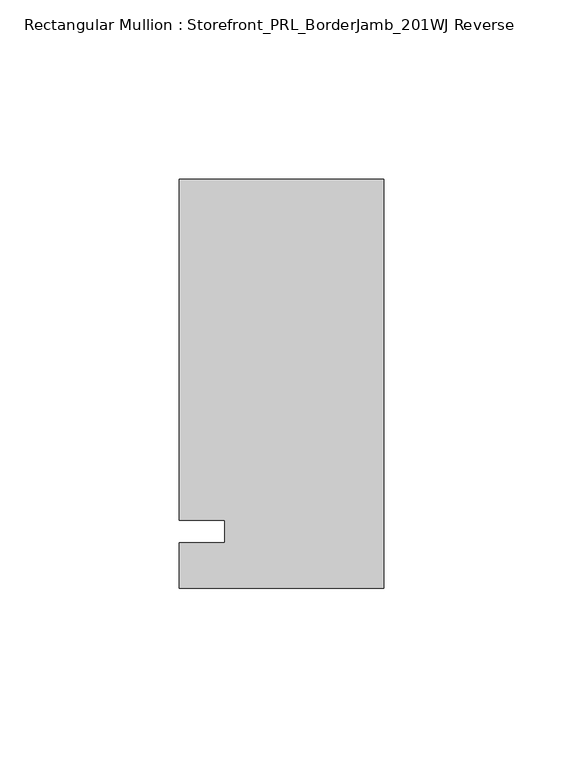
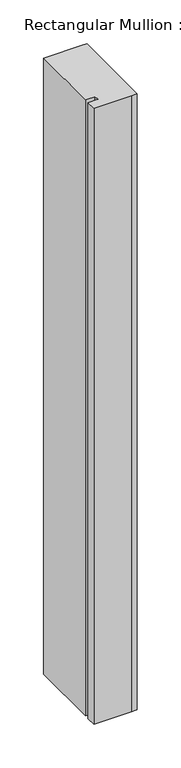
"""IFC4 building model written with IfcOpenShell, lengths in millimetres: member geometry, Rectangular Mullion : Storefront_PRL_BorderJamb_201WJ Reverse."""

from ifc_helpers import new_model, si_unit, frame, origin, place, context, project, spatial, polyline, outline, extrude, source, transform, mapped, element, save


def rectangular_mullion_storefront_prl_borderjamb_201wj_reverse_7af413d9(model_context):
    return source(origin(), model_context, "Body", "SweptSolid", [
        extrude(outline(polyline([(-44.45, 3.175), (-57.15, 3.175), (-57.15, 98.425), (-6.35, 98.425), (0.0, 98.425), (0.0, -15.875), (-7.3958824, -15.875), (-57.15, -15.875), (-57.15, -3.175), (-44.45, -3.175), (-44.45, 3.175)])), frame((0.0, 0.0, -857.25), z_axis=(0.0, 0.0, 1.0), x_axis=(1.0, 0.0, 0.0)), (0.0, 0.0, 1.0), 857.25),
    ])


if __name__ == "__main__":
    model = new_model("IFC4")
    model_context = context("Model", 3, world=origin())
    ifc_project = project(units=[si_unit("LENGTHUNIT", "METRE", prefix="MILLI")], contexts=[model_context])
    site = spatial("IfcSite", under=ifc_project)
    building = spatial("IfcBuilding", under=site)
    placement = place(None, origin())
    rectangular_mullion_storefront_prl_borderjamb_201wj_reverse_shape = rectangular_mullion_storefront_prl_borderjamb_201wj_reverse_7af413d9(model_context)
    element("IfcMember", 1, ObjectType="Rectangular Mullion : Storefront_PRL_BorderJamb_201WJ Reverse", at=placement, inside=building, context=model_context, shape_type="MappedRepresentation", body=[
        mapped(rectangular_mullion_storefront_prl_borderjamb_201wj_reverse_shape, transform((0.0, 0.0, 0.0), x_axis=(1.0, 0.0, 0.0), y_axis=(0.0, 1.0, 0.0), z_axis=(0.0, 0.0, 1.0))),
    ])
    save(model, "model.ifc")
